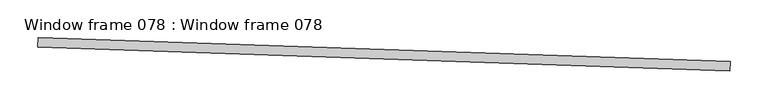
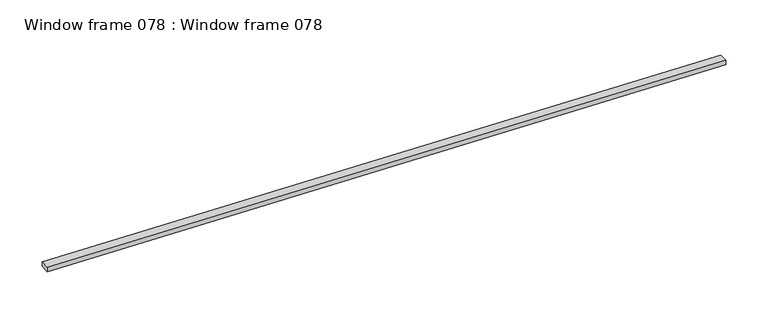
"""IFC4 building model written with IfcOpenShell, lengths in millimetres: proxy geometry, Window frame 078 : Window frame 078."""

from ifc_helpers import new_model, si_unit, frame, origin, place, context, project, spatial, polyline, outline, extrude, source, transform, mapped, element, save


def window_frame_078_window_frame_078_5707afb4(model_context):
    return source(origin(), model_context, "Body", "SweptSolid", [
        extrude(outline(polyline([(33440.0701067, -15457.9102027), (33440.5044694, -15445.2176329), (34354.3694977, -15476.4917422), (34353.9351351, -15489.184312), (33440.0701067, -15457.9102027)])), frame((0.0, 0.0, 1193.8841508), z_axis=(0.0, 0.0, 1.0), x_axis=(1.0, 0.0, 0.0)), (0.0, 0.0, 1.0), 6.35),
    ])


if __name__ == "__main__":
    model = new_model("IFC4")
    model_context = context("Model", 3, world=origin())
    ifc_project = project(units=[si_unit("LENGTHUNIT", "METRE", prefix="MILLI")], contexts=[model_context])
    site = spatial("IfcSite", under=ifc_project)
    building = spatial("IfcBuilding", under=site)
    placement = place(None, origin())
    window_frame_078_window_frame_078_shape = window_frame_078_window_frame_078_5707afb4(model_context)
    element("IfcBuildingElementProxy", 1, Name="Window frame 078 : Window frame 078", ObjectType="Window frame 078 : Window frame 078", at=placement, inside=building, context=model_context, shape_type="MappedRepresentation", body=[
        mapped(window_frame_078_window_frame_078_shape, transform((0.0, 0.0, 0.0), x_axis=(1.0, 0.0, 0.0), y_axis=(0.0, 1.0, 0.0), z_axis=(0.0, 0.0, 1.0))),
    ])
    save(model, "model.ifc")
